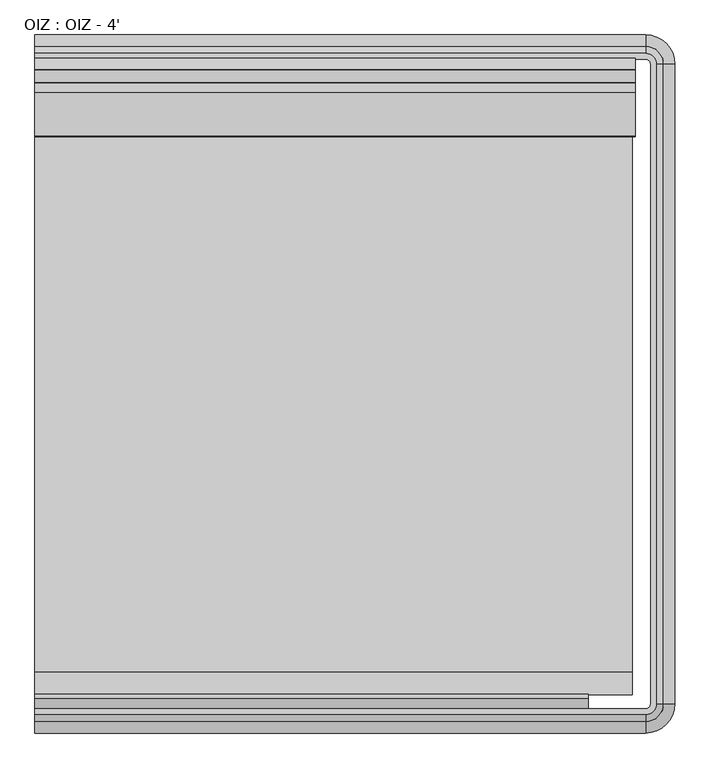
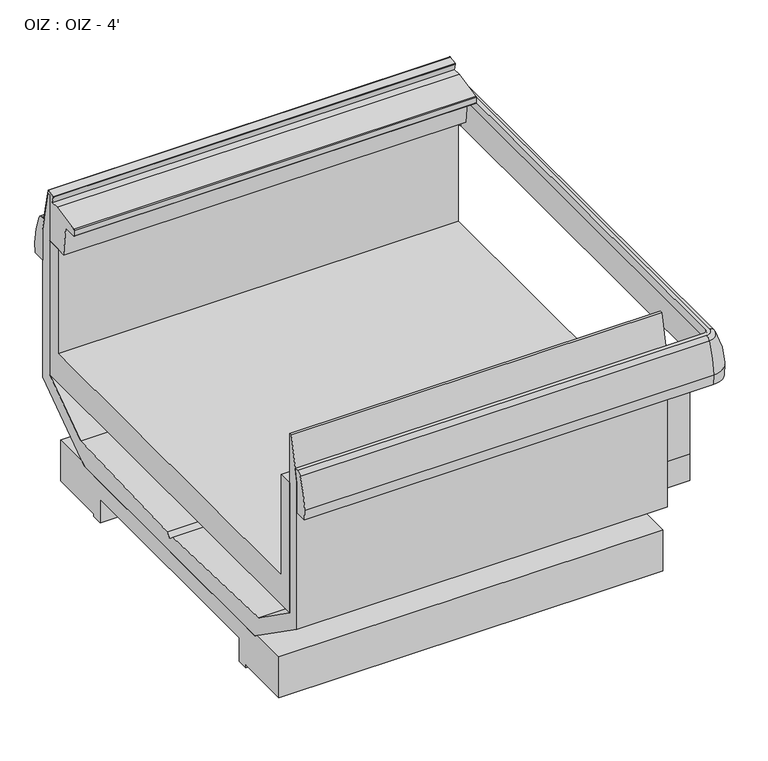
"""IFC4 building model written with IfcOpenShell, lengths in millimetres: proxy geometry, OIZ : OIZ - 4'."""

from ifc_helpers import new_model, si_unit, point, frame, frame_2d, origin, place, context, project, spatial, polyline, circle_curve, ellipse_curve, trimmed, segment, composite_curve, outline, extrude, faceted_brep, source, transform, mapped, element, save
from ifc_brep_helpers import plane_surface, cylinder_surface, revolved_surface, advanced_brep


def oiz_oiz_4_fd7c5255(model_context):
    return source(origin(), model_context, "Body", "SolidModel", [
        advanced_brep(
        [(0.0, -1779.9487888, 742.5260526), (0.0, -1756.7718705, 837.8904027), (0.0, -1742.3604846, 847.1075065), (0.0, -1730.6231369, 847.1075065), (0.0, -1738.8699813, 808.3091539), (0.0, -1738.8699813, 710.8577229), (0.0, -1778.626851, 710.8577229), (1239.8702702, -1779.9487888, 742.5260526), (1239.8702702, -1756.7718705, 837.8904027), (1239.8702702, -1742.3604846, 847.1075065), (1261.5908573, -1720.6398975, 847.1075065), (1261.5908573, -421.9302891, 847.1075065), (1239.9393382, -400.27877, 847.1075065), (0.0, -400.27877, 847.1075065), (0.0, -412.0161177, 847.1075065), (1239.9393382, -412.0161177, 847.1075065), (1249.8535096, -421.9302891, 847.1075065), (1249.8535096, -1720.6398975, 847.1075065), (1239.8702702, -1730.6231369, 847.1075065), (1239.8702702, -1738.8699813, 808.3091539), (1239.8702702, -1738.8699813, 710.8577229), (1258.100354, -1720.6398975, 710.8577229), (1258.100354, -421.9302891, 710.8577229), (1239.9393382, -403.7692733, 710.8577229), (0.0, -403.7692733, 710.8577229), (0.0, -364.0124036, 710.8577229), (1239.9393382, -364.0124036, 710.8577229), (1297.8572237, -421.9302891, 710.8577229), (1297.8572237, -1720.6398975, 710.8577229), (1239.8702702, -1778.626851, 710.8577229), (1276.0022432, -1720.6398975, 837.8904027), (1299.1791615, -1720.6398975, 742.5260526), (1299.1791615, -421.9302891, 742.5260526), (1276.0022432, -421.9302891, 837.8904027), (1258.100354, -1720.6398975, 808.3091539), (1258.100354, -421.9302891, 808.3091539), (0.0, -362.6904658, 742.5260526), (0.0, -403.7692733, 808.3091539), (0.0, -385.8673841, 837.8904027), (1239.9393382, -385.8673841, 837.8904027), (1239.9393382, -362.6904658, 742.5260526), (1239.9393382, -403.7692733, 808.3091539)],
        [
            (0, 1, circle_curve(frame((0.0, -1526.1354111, 731.338984), z_axis=(-1.0, 0.0, 0.0), x_axis=(0.0, 1.0, 0.0)), 254.0597985)),
            (1, 2, circle_curve(frame((0.0, -1742.3604846, 831.2325065), z_axis=(-1.0, 0.0, 0.0), x_axis=(0.0, 1.0, 0.0)), 15.875)),
            (2, 3),
            (3, 4),
            (4, 5),
            (5, 6),
            (6, 0),
            (0, 7),
            (7, 8, circle_curve(frame((1239.8702702, -1526.1354111, 731.338984), z_axis=(-1.0, 0.0, 0.0), x_axis=(0.0, 1.0, 0.0)), 254.0597985)),
            (8, 1),
            (8, 9, circle_curve(frame((1239.8702702, -1742.3604846, 831.2325065), z_axis=(-1.0, 0.0, 0.0), x_axis=(0.0, 1.0, 0.0)), 15.875)),
            (9, 2),
            (9, 10, circle_curve(frame((1239.8702702, -1720.6398975, 847.1075065), z_axis=(0.0, 0.0, 1.0), x_axis=(0.0, -1.0, 0.0)), 21.7205871)),
            (10, 11),
            (11, 12, circle_curve(frame((1239.9393382, -421.9302891, 847.1075065), z_axis=(0.0, 0.0, 1.0), x_axis=(1.0, 0.0, 0.0)), 21.6515191)),
            (12, 13),
            (13, 14),
            (14, 15),
            (15, 16, circle_curve(frame((1239.9393382, -421.9302891, 847.1075065), z_axis=(0.0, 0.0, -1.0), x_axis=(1.0, 0.0, 0.0)), 9.9141714)),
            (16, 17),
            (17, 18, circle_curve(frame((1239.8702702, -1720.6398975, 847.1075065), z_axis=(0.0, 0.0, -1.0), x_axis=(0.0, -1.0, 0.0)), 9.9832394)),
            (18, 3),
            (18, 19),
            (19, 4),
            (19, 20),
            (20, 5),
            (20, 21, circle_curve(frame((1239.8702702, -1720.6398975, 710.8577229), z_axis=(0.0, 0.0, 1.0), x_axis=(0.0, -1.0, 0.0)), 18.2300838)),
            (21, 22),
            (22, 23, circle_curve(frame((1239.9393382, -421.9302891, 710.8577229), z_axis=(0.0, 0.0, 1.0), x_axis=(1.0, 0.0, 0.0)), 18.1610158)),
            (23, 24),
            (24, 25),
            (25, 26),
            (26, 27, circle_curve(frame((1239.9393382, -421.9302891, 710.8577229), z_axis=(0.0, 0.0, -1.0), x_axis=(1.0, 0.0, 0.0)), 57.9178855)),
            (27, 28),
            (28, 29, circle_curve(frame((1239.8702702, -1720.6398975, 710.8577229), z_axis=(0.0, 0.0, -1.0), x_axis=(0.0, -1.0, 0.0)), 57.9869535)),
            (29, 6),
            (29, 7),
            (30, 31, circle_curve(frame((1045.3657838, -1720.6398975, 731.338984), z_axis=(0.0, 1.0, 0.0), x_axis=(-1.0, 0.0, 0.0)), 254.0597985)),
            (31, 32),
            (32, 33, circle_curve(frame((1045.3657838, -421.9302891, 731.338984), z_axis=(0.0, -1.0, 0.0), x_axis=(-1.0, 0.0, 0.0)), 254.0597985)),
            (33, 30),
            (10, 30, circle_curve(frame((1261.5908573, -1720.6398975, 831.2325065), z_axis=(0.0, 1.0, 0.0), x_axis=(-1.0, 0.0, 0.0)), 15.875)),
            (33, 11, circle_curve(frame((1261.5908573, -421.9302891, 831.2325065), z_axis=(0.0, -1.0, 0.0), x_axis=(-1.0, 0.0, 0.0)), 15.875)),
            (34, 17),
            (16, 35),
            (35, 34),
            (21, 34),
            (35, 22),
            (31, 28),
            (27, 32),
            (36, 25),
            (24, 37),
            (37, 14),
            (13, 38, circle_curve(frame((0.0, -400.27877, 831.2325065), z_axis=(-1.0, 0.0, 0.0), x_axis=(0.0, -1.0, 0.0)), 15.875)),
            (38, 36, circle_curve(frame((0.0, -616.5038435, 731.338984), z_axis=(-1.0, 0.0, 0.0), x_axis=(0.0, -1.0, 0.0)), 254.0597985)),
            (39, 40, circle_curve(frame((1239.9393382, -616.5038435, 731.338984), z_axis=(-1.0, 0.0, 0.0), x_axis=(0.0, -1.0, 0.0)), 254.0597985)),
            (40, 36),
            (38, 39),
            (12, 39, circle_curve(frame((1239.9393382, -400.27877, 831.2325065), z_axis=(-1.0, 0.0, 0.0), x_axis=(0.0, -1.0, 0.0)), 15.875)),
            (41, 15),
            (37, 41),
            (23, 41),
            (40, 26),
            (30, 8, circle_curve(frame((1239.8702702, -1720.6398975, 837.8904027), z_axis=(0.0, 0.0, -1.0), x_axis=(0.0, -1.0, 0.0)), 36.131973)),
            (7, 31, circle_curve(frame((1239.8702702, -1720.6398975, 742.5260526), z_axis=(0.0, 0.0, 1.0), x_axis=(0.0, -1.0, 0.0)), 59.3088914)),
            (34, 19, circle_curve(frame((1239.8702702, -1720.6398975, 808.3091539), z_axis=(0.0, 0.0, -1.0), x_axis=(0.0, -1.0, 0.0)), 18.2300838)),
            (39, 33, circle_curve(frame((1239.9393382, -421.9302891, 837.8904027), z_axis=(0.0, 0.0, -1.0), x_axis=(1.0, 0.0, 0.0)), 36.0629049)),
            (32, 40, circle_curve(frame((1239.9393382, -421.9302891, 742.5260526), z_axis=(0.0, 0.0, 1.0), x_axis=(1.0, 0.0, 0.0)), 59.2398233)),
            (41, 35, circle_curve(frame((1239.9393382, -421.9302891, 808.3091539), z_axis=(0.0, 0.0, -1.0), x_axis=(1.0, 0.0, 0.0)), 18.1610158)),
        ],
        [
            plane_surface(frame((0.0, -1793.6321273, 50.2442522), z_axis=(-1.0, 0.0, 0.0), x_axis=(0.0, 0.0, 1.0))),
            cylinder_surface(frame((0.0, -1526.1354111, 731.338984), z_axis=(-1.0, 0.0, 0.0), x_axis=(0.0, 1.0, 0.0)), 254.0597985),
            cylinder_surface(frame((0.0, -1742.3604846, 831.2325065), z_axis=(-1.0, 0.0, 0.0), x_axis=(0.0, 1.0, 0.0)), 15.875),
            plane_surface(frame((0.0, -1742.3604846, 847.1075065), z_axis=(0.0, 0.0, 1.0), x_axis=(1.0, 0.0, 0.0))),
            plane_surface(frame((0.0, -1730.6231369, 847.1075065), z_axis=(0.0, 0.9781476007337238, -0.20791169081814453), x_axis=(1.0, 0.0, 0.0))),
            plane_surface(frame((0.0, -1738.8699813, 808.3091539), z_axis=(0.0, 1.0, 0.0), x_axis=(1.0, 0.0, 0.0))),
            plane_surface(frame((0.0, -1762.8031313, 710.8577229), z_axis=(0.0, 0.0, -1.0), x_axis=(1.0, 0.0, 0.0))),
            plane_surface(frame((0.0, -1778.626851, 710.8577229), z_axis=(0.0, -0.9991298890583391, -0.04170689140023684), x_axis=(1.0, 0.0, 0.0))),
            cylinder_surface(frame((1045.3657838, -1720.6398975, 731.338984), z_axis=(0.0, -1.0, 0.0), x_axis=(-1.0, 0.0, 0.0)), 254.0597985),
            cylinder_surface(frame((1261.5908573, -1720.6398975, 831.2325065), z_axis=(0.0, -1.0, 0.0), x_axis=(-1.0, 0.0, 0.0)), 15.875),
            plane_surface(frame((1249.8535096, -1720.6398975, 847.1075065), z_axis=(-0.9781476007337238, 0.0, -0.20791169081814453), x_axis=(0.0, 1.0, 0.0))),
            plane_surface(frame((1258.100354, -1720.6398975, 808.3091539), z_axis=(-1.0, 0.0, 0.0), x_axis=(0.0, 1.0, 0.0))),
            plane_surface(frame((1297.8572237, -1720.6398975, 710.8577229), z_axis=(0.9991298890583391, 0.0, -0.04170689140023684), x_axis=(0.0, 1.0, 0.0))),
            plane_surface(frame((0.0, -349.0071273, 50.2442522), z_axis=(-1.0, 0.0, 0.0), x_axis=(0.0, 0.0, 1.0))),
            cylinder_surface(frame((1239.9393382, -616.5038435, 731.338984), z_axis=(1.0, 0.0, 0.0), x_axis=(0.0, -1.0, 0.0)), 254.0597985),
            cylinder_surface(frame((1239.9393382, -400.27877, 831.2325065), z_axis=(1.0, 0.0, 0.0), x_axis=(0.0, -1.0, 0.0)), 15.875),
            plane_surface(frame((1239.9393382, -412.0161177, 847.1075065), z_axis=(0.0, -0.9781476007337238, -0.20791169081814453), x_axis=(-1.0, 0.0, 0.0))),
            plane_surface(frame((1239.9393382, -403.7692733, 808.3091539), z_axis=(0.0, -1.0, 0.0), x_axis=(-1.0, 0.0, 0.0))),
            plane_surface(frame((1239.9393382, -364.0124036, 710.8577229), z_axis=(0.0, 0.9991298890583391, -0.04170689140023684), x_axis=(-1.0, 0.0, 0.0))),
            revolved_surface(trimmed(ellipse_curve(frame((1239.8702702, -1526.1354111, 731.338984), z_axis=(-1.0, 0.0, 0.0), x_axis=(0.0, 1.0, 0.0)), 254.0597985, 254.0597985), [point((1239.8702702, -1779.9487888, 742.5260526))], [point((1239.8702702, -1756.7718705, 837.8904027))], True, "CARTESIAN"), (1239.8702702, -1720.6398975, 50.2442522), (0.0, 0.0, 1.0)),
            revolved_surface(trimmed(ellipse_curve(frame((1239.8702702, -1742.3604846, 831.2325065), z_axis=(-1.0, 0.0, 0.0), x_axis=(0.0, 1.0, 0.0)), 15.875, 15.875), [point((1239.8702702, -1756.7718705, 837.8904027))], [point((1239.8702702, -1742.3604846, 847.1075065))], True, "CARTESIAN"), (1239.8702702, -1720.6398975, 50.2442522), (0.0, 0.0, 1.0)),
            revolved_surface(polyline([(1239.8702702, -1730.6231369, 847.1075065), (1239.8702702, -1738.8699813, 808.3091539)]), (1239.8702702, -1720.6398975, 50.2442522), (0.0, 0.0, 1.0)),
            revolved_surface(polyline([(1239.8702702, -1738.8699813, 808.3091539), (1239.8702702, -1738.8699813, 710.8577229)]), (1239.8702702, -1720.6398975, 50.2442522), (0.0, 0.0, 1.0)),
            revolved_surface(polyline([(1239.8702702, -1778.626851, 710.8577229), (1239.8702702, -1779.9487888, 742.5260526)]), (1239.8702702, -1720.6398975, 50.2442522), (0.0, 0.0, 1.0)),
            revolved_surface(trimmed(ellipse_curve(frame((1045.3657838, -421.9302891, 731.338984), z_axis=(0.0, -1.0, 0.0), x_axis=(-1.0, 0.0, 0.0)), 254.0597985, 254.0597985), [point((1299.1791615, -421.9302891, 742.5260526))], [point((1276.0022432, -421.9302891, 837.8904027))], True, "CARTESIAN"), (1239.9393382, -421.9302891, 50.2442522), (0.0, 0.0, 1.0)),
            revolved_surface(trimmed(ellipse_curve(frame((1261.5908573, -421.9302891, 831.2325065), z_axis=(0.0, -1.0, 0.0), x_axis=(-1.0, 0.0, 0.0)), 15.875, 15.875), [point((1276.0022432, -421.9302891, 837.8904027))], [point((1261.5908573, -421.9302891, 847.1075065))], True, "CARTESIAN"), (1239.9393382, -421.9302891, 50.2442522), (0.0, 0.0, 1.0)),
            revolved_surface(polyline([(1249.8535096, -421.9302891, 847.1075065), (1258.100354, -421.9302891, 808.3091539)]), (1239.9393382, -421.9302891, 50.2442522), (0.0, 0.0, 1.0)),
            revolved_surface(polyline([(1258.1003540000002, -421.9302891, 808.3091539), (1258.1003540000002, -421.9302891, 710.8577229)]), (1239.9393382, -421.9302891, 50.2442522), (0.0, 0.0, 1.0)),
            revolved_surface(polyline([(1297.8572237, -421.9302891, 710.8577229), (1299.1791615, -421.9302891, 742.5260526)]), (1239.9393382, -421.9302891, 50.2442522), (0.0, 0.0, 1.0)),
        ],
        [
            (0, [[1, 2, 3, 4, 5, 6, 7]]),
            (1, [[-1, 8, 9, 10]]),
            (2, [[-2, -10, 11, 12]]),
            (3, [[-3, -12, 13, 14, 15, 16, 17, 18, 19, 20, 21, 22]]),
            (4, [[-4, -22, 23, 24]]),
            (5, [[-5, -24, 25, 26]]),
            (6, [[-26, 27, 28, 29, 30, 31, 32, 33, 34, 35, 36, -6]]),
            (7, [[-7, -36, 37, -8]]),
            (8, [[38, 39, 40, 41]]),
            (9, [[42, -41, 43, -14]]),
            (10, [[44, -20, 45, 46]]),
            (11, [[47, -46, 48, -28]]),
            (12, [[49, -34, 50, -39]]),
            (13, [[51, -31, 52, 53, -17, 54, 55]]),
            (14, [[56, 57, -55, 58]]),
            (15, [[59, -58, -54, -16]]),
            (16, [[60, -18, -53, 61]]),
            (17, [[62, -61, -52, -30]]),
            (18, [[63, -32, -51, -57]]),
            (19, [[64, -9, 65, -38]]),
            (20, [[-13, -11, -64, -42]]),
            (21, [[66, -23, -21, -44]]),
            (22, [[-27, -25, -66, -47]]),
            (23, [[-65, -37, -35, -49]]),
            (24, [[67, -40, 68, -56]]),
            (25, [[-15, -43, -67, -59]]),
            (26, [[69, -45, -19, -60]]),
            (27, [[-29, -48, -69, -62]]),
            (28, [[-68, -50, -33, -63]]),
        ],
    ),
        extrude(outline(composite_curve([segment(trimmed(circle_curve(frame_2d((152.4, -1552.3321273)), 9.525), [point((142.875, -1552.3321273))], [point((161.925, -1552.3321273))], False, "CARTESIAN"), True, "CONTINUOUS"), segment(trimmed(circle_curve(frame_2d((152.4, -1552.3321273)), 9.525), [point((161.925, -1552.3321273))], [point((142.875, -1552.3321273))], False, "CARTESIAN"), True, "CONTINUOUS")], self_intersect=False)), frame((0.0, 0.0, 59.3851334), z_axis=(0.0, 0.0, 1.0), x_axis=(1.0, 0.0, 0.0)), (0.0, 0.0, 1.0), 6.35),
        extrude(outline(composite_curve([segment(trimmed(circle_curve(frame_2d((228.6, -1552.3321273)), 9.525), [point((219.075, -1552.3321273))], [point((238.125, -1552.3321273))], False, "CARTESIAN"), True, "CONTINUOUS"), segment(trimmed(circle_curve(frame_2d((228.6, -1552.3321273)), 9.525), [point((238.125, -1552.3321273))], [point((219.075, -1552.3321273))], False, "CARTESIAN"), True, "CONTINUOUS")], self_intersect=False)), frame((0.0, 0.0, 59.3851334), z_axis=(0.0, 0.0, 1.0), x_axis=(1.0, 0.0, 0.0)), (0.0, 0.0, 1.0), 6.35),
        extrude(outline(composite_curve([segment(trimmed(circle_curve(frame_2d((609.6, -1552.7093173)), 38.1), [point((571.5, -1552.7093173))], [point((647.7, -1552.7093173))], False, "CARTESIAN"), True, "CONTINUOUS"), segment(trimmed(circle_curve(frame_2d((609.6, -1552.7093173)), 38.1), [point((647.7, -1552.7093173))], [point((571.5, -1552.7093173))], False, "CARTESIAN"), True, "CONTINUOUS")], self_intersect=False)), frame((0.0, 0.0, 59.3851334), z_axis=(0.0, 0.0, 1.0), x_axis=(1.0, 0.0, 0.0)), (0.0, 0.0, 1.0), 117.8591189),
        extrude(outline(composite_curve([segment(trimmed(circle_curve(frame_2d((954.88125, -1399.9321273)), 11.1125), [point((943.76875, -1399.9321273))], [point((965.99375, -1399.9321273))], False, "CARTESIAN"), True, "CONTINUOUS"), segment(trimmed(circle_curve(frame_2d((954.88125, -1399.9321273)), 11.1125), [point((965.99375, -1399.9321273))], [point((943.76875, -1399.9321273))], False, "CARTESIAN"), True, "CONTINUOUS")], self_intersect=False)), frame((0.0, 0.0, 125.8872904), z_axis=(0.0, 0.0, 1.0), x_axis=(1.0, 0.0, 0.0)), (0.0, 0.0, 1.0), 51.3569618),
        extrude(outline(composite_curve([segment(trimmed(circle_curve(frame_2d((913.60625, -1399.9321273)), 9.525), [point((904.08125, -1399.9321273))], [point((923.13125, -1399.9321273))], False, "CARTESIAN"), True, "CONTINUOUS"), segment(trimmed(circle_curve(frame_2d((913.60625, -1399.9321273)), 9.525), [point((923.13125, -1399.9321273))], [point((904.08125, -1399.9321273))], False, "CARTESIAN"), True, "CONTINUOUS")], self_intersect=False)), frame((0.0, 0.0, 125.8872904), z_axis=(0.0, 0.0, 1.0), x_axis=(1.0, 0.0, 0.0)), (0.0, 0.0, 1.0), 51.3569618),
        advanced_brep(
        [(1164.0785775, -497.7910498, 59.3851334), (1164.0785775, -497.7910498, 190.7162695), (1164.0785775, -611.2237672, 190.7162695), (1164.0785775, -624.9324146, 181.1173712), (1164.0785775, -1517.6104004, 181.1173712), (1164.0785775, -1531.4154874, 190.7162695), (1164.0785775, -1644.8482048, 190.7162695), (1164.0785775, -1644.8482048, 59.3851334), (1164.0785775, -1471.3693098, 59.3851334), (1164.0785775, -1471.3693098, 50.2442522), (1164.0785775, -1436.4443098, 50.2442522), (1164.0785775, -1436.4443098, 125.8872904), (1164.0785775, -706.1949448, 125.8872904), (1164.0785775, -706.1949448, 50.2442522), (1164.0785775, -671.2699448, 50.2442522), (1164.0785775, -671.2699448, 59.3851334), (0.0, -497.7910498, 59.3851334), (0.0, -671.2699448, 59.3851334), (0.0, -671.2699448, 50.2442522), (0.0, -706.1949448, 50.2442522), (0.0, -706.1949448, 125.8872904), (0.0, -1436.4443098, 125.8872904), (0.0, -1436.4443098, 50.2442522), (0.0, -1471.3693098, 50.2442522), (0.0, -1471.3693098, 59.3851334), (0.0, -1644.8482048, 59.3851334), (0.0, -1644.8482048, 190.7162695), (0.0, -1531.4154874, 190.7162695), (0.0, -1517.6104004, 181.1173712), (0.0, -624.9324146, 181.1173712), (0.0, -611.2237672, 190.7162695), (0.0, -497.7910498, 190.7162695), (558.8, -1552.7093173, 59.3851334), (660.4, -1552.7093173, 59.3851334), (287.3791612, -1530.5482048, 59.3851334), (105.2648592, -1530.5482048, 59.3851334), (105.2648592, -1574.5393697, 59.3851334), (287.3791612, -1574.5393697, 59.3851334), (898.9237765, -1436.4443098, 50.2442522), (969.5637235, -1436.4443098, 50.2442522), (969.5637235, -1436.4443098, 125.8872904), (898.9237765, -1436.4443098, 125.8872904), (985.04375, -1399.9321273, 125.8872904), (883.44375, -1399.9321273, 125.8872904), (883.44375, -1399.9321273, 177.2442522), (985.04375, -1399.9321273, 177.2442522), (558.8, -1552.7093173, 177.2442522), (660.4, -1552.7093173, 177.2442522), (287.3791612, -1530.5482048, 65.7351334), (287.3791612, -1574.5393697, 65.7351334), (105.2648592, -1574.5393697, 65.7351334), (105.2648592, -1530.5482048, 65.7351334)],
        [
            (0, 1),
            (1, 2),
            (2, 3),
            (3, 4),
            (4, 5),
            (5, 6),
            (6, 7),
            (7, 8),
            (8, 9),
            (9, 10),
            (10, 11),
            (11, 12),
            (12, 13),
            (13, 14),
            (14, 15),
            (15, 0),
            (16, 17),
            (17, 18),
            (18, 19),
            (19, 20),
            (20, 21),
            (21, 22),
            (22, 23),
            (23, 24),
            (24, 25),
            (25, 26),
            (26, 27),
            (27, 28),
            (28, 29),
            (29, 30),
            (30, 31),
            (31, 16),
            (0, 16),
            (31, 1),
            (3, 29),
            (28, 4),
            (6, 26),
            (25, 7),
            (24, 8),
            (32, 33, circle_curve(frame((609.6, -1552.7093173, 59.3851334), z_axis=(0.0, 0.0, 1.0), x_axis=(1.0, 0.0, 0.0)), 50.8)),
            (33, 32, circle_curve(frame((609.6, -1552.7093173, 59.3851334), z_axis=(0.0, 0.0, 1.0), x_axis=(1.0, 0.0, 0.0)), 50.8)),
            (34, 35),
            (35, 36),
            (36, 37),
            (37, 34),
            (23, 9),
            (22, 38),
            (38, 39, circle_curve(frame((934.24375, -1399.9321273, 50.2442522), z_axis=(0.0, 0.0, 1.0), x_axis=(1.0, 0.0, 0.0)), 50.8)),
            (39, 10),
            (39, 40),
            (40, 11),
            (21, 41),
            (41, 38),
            (40, 42, circle_curve(frame((934.24375, -1399.9321273, 125.8872904), z_axis=(0.0, 0.0, 1.0), x_axis=(1.0, 0.0, 0.0)), 50.8)),
            (42, 43, circle_curve(frame((934.24375, -1399.9321273, 125.8872904), z_axis=(0.0, 0.0, 1.0), x_axis=(1.0, 0.0, 0.0)), 50.8)),
            (43, 41, circle_curve(frame((934.24375, -1399.9321273, 125.8872904), z_axis=(0.0, 0.0, 1.0), x_axis=(1.0, 0.0, 0.0)), 50.8)),
            (20, 12),
            (19, 13),
            (18, 14),
            (17, 15),
            (44, 45, circle_curve(frame((934.24375, -1399.9321273, 177.2442522), z_axis=(0.0, 0.0, -1.0), x_axis=(1.0, 0.0, 0.0)), 50.8)),
            (45, 44, circle_curve(frame((934.24375, -1399.9321273, 177.2442522), z_axis=(0.0, 0.0, -1.0), x_axis=(1.0, 0.0, 0.0)), 50.8)),
            (45, 42),
            (43, 44),
            (46, 47, circle_curve(frame((609.6, -1552.7093173, 177.2442522), z_axis=(0.0, 0.0, -1.0), x_axis=(1.0, 0.0, 0.0)), 50.8)),
            (47, 46, circle_curve(frame((609.6, -1552.7093173, 177.2442522), z_axis=(0.0, 0.0, -1.0), x_axis=(1.0, 0.0, 0.0)), 50.8)),
            (47, 33),
            (32, 46),
            (48, 49),
            (49, 50),
            (50, 51),
            (51, 48),
            (51, 35),
            (34, 48),
            (50, 36),
            (49, 37),
            (30, 2),
            (27, 5),
        ],
        [
            plane_surface(frame((1164.0785775, -497.7910498, 66.5320031), z_axis=(1.0, 0.0, 0.0), x_axis=(0.0, 0.0, 1.0))),
            plane_surface(frame((0.0, -497.7910498, 66.5320031), z_axis=(-1.0, 0.0, 0.0), x_axis=(0.0, 0.0, -1.0))),
            plane_surface(frame((1164.0785775, -497.7910498, 59.3851334), z_axis=(0.0, 1.0, 0.0), x_axis=(-1.0, 0.0, 0.0))),
            plane_surface(frame((1164.0785775, -624.9324146, 181.1173712), z_axis=(0.0, 0.0, 1.0), x_axis=(-1.0, 0.0, 0.0))),
            plane_surface(frame((1164.0785775, -1644.8482048, 190.7162695), z_axis=(0.0, -1.0, 0.0), x_axis=(-1.0, 0.0, 0.0))),
            plane_surface(frame((1164.0785775, -1644.8482048, 59.3851334), z_axis=(0.0, 0.0, -1.0), x_axis=(-1.0, 0.0, 0.0))),
            plane_surface(frame((1164.0785775, -1471.3693098, 59.3851334), z_axis=(0.0, -1.0, 0.0), x_axis=(-1.0, 0.0, 0.0))),
            plane_surface(frame((1164.0785775, -1471.3693098, 50.2442522), z_axis=(0.0, 0.0, -1.0), x_axis=(-1.0, 0.0, 0.0))),
            plane_surface(frame((1164.0785775, -1436.4443098, 50.2442522), z_axis=(0.0, 1.0, 0.0), x_axis=(-1.0, 0.0, 0.0))),
            plane_surface(frame((1164.0785775, -1436.4443098, 125.8872904), z_axis=(0.0, 0.0, -1.0), x_axis=(-1.0, 0.0, 0.0))),
            plane_surface(frame((1164.0785775, -706.1949448, 125.8872904), z_axis=(0.0, -1.0, 0.0), x_axis=(-1.0, 0.0, 0.0))),
            plane_surface(frame((1164.0785775, -706.1949448, 50.2442522), z_axis=(0.0, 0.0, -1.0), x_axis=(-1.0, 0.0, 0.0))),
            plane_surface(frame((1164.0785775, -671.2699448, 50.2442522), z_axis=(0.0, 1.0, 0.0), x_axis=(-1.0, 0.0, 0.0))),
            plane_surface(frame((1164.0785775, -671.2699448, 59.3851334), z_axis=(0.0, 0.0, -1.0), x_axis=(-1.0, 0.0, 0.0))),
            plane_surface(frame((985.04375, -1399.9321273, 177.2442522), z_axis=(0.0, 0.0, -1.0), x_axis=(0.0, 1.0, 0.0))),
            revolved_surface(polyline([(985.0437499999999, -1399.9321273, 177.2442522), (985.0437499999999, -1399.9321273, 50.2442522)]), (934.24375, -1399.9321273, 50.2442522), (0.0, 0.0, 1.0)),
            revolved_surface(polyline([(985.0437499999999, -1399.9321273, 177.2442522), (985.0437499999999, -1399.9321273, 125.88729040000001)]), (934.24375, -1399.9321273, 50.2442522), (0.0, 0.0, 1.0)),
            plane_surface(frame((660.4, -1552.7093173, 177.2442522), z_axis=(0.0, 0.0, -1.0), x_axis=(0.0, 1.0, 0.0))),
            revolved_surface(polyline([(660.4, -1552.7093173, 177.2442522), (660.4, -1552.7093173, 59.3851334)]), (609.6, -1552.7093173, 50.2442522), (0.0, 0.0, 1.0)),
            plane_surface(frame((88.9, -1530.5482048, 65.7351334), z_axis=(0.0, 0.0, -1.0), x_axis=(-1.0, 0.0, 0.0))),
            plane_surface(frame((287.3791612, -1530.5482048, 65.7351334), z_axis=(0.0, -1.0, 0.0), x_axis=(0.0, 0.0, -1.0))),
            plane_surface(frame((105.2648592, -1530.5482048, 65.7351334), z_axis=(1.0, 0.0, 0.0), x_axis=(0.0, 0.0, -1.0))),
            plane_surface(frame((105.2648592, -1574.5393697, 65.7351334), z_axis=(0.0, 1.0, 0.0), x_axis=(0.0, 0.0, -1.0))),
            plane_surface(frame((287.3791612, -1574.5393697, 65.7351334), z_axis=(-1.0, 0.0, 0.0), x_axis=(0.0, 0.0, -1.0))),
            plane_surface(frame((1164.0785775, -497.7910498, 190.7162695), z_axis=(0.0, 0.0, 1.0), x_axis=(-1.0, 0.0, 0.0))),
            plane_surface(frame((1164.0785775, -611.2237672, 190.7162695), z_axis=(0.0, -0.5735764363510149, 0.8191520442890138), x_axis=(-1.0, 0.0, 0.0))),
            plane_surface(frame((1164.0785775, -1517.6104004, 181.1173712), z_axis=(0.0, 0.5708784896060859, 0.8210345608469075), x_axis=(-1.0, 0.0, 0.0))),
            plane_surface(frame((1164.0785775, -1531.4154874, 190.7162695), z_axis=(0.0, 0.0, 1.0), x_axis=(-1.0, 0.0, 0.0))),
        ],
        [
            (0, [[1, 2, 3, 4, 5, 6, 7, 8, 9, 10, 11, 12, 13, 14, 15, 16]]),
            (1, [[17, 18, 19, 20, 21, 22, 23, 24, 25, 26, 27, 28, 29, 30, 31, 32]]),
            (2, [[-1, 33, -32, 34]]),
            (3, [[-4, 35, -29, 36]]),
            (4, [[-7, 37, -26, 38]]),
            (5, [[-8, -38, -25, 39], [40, 41], [42, 43, 44, 45]]),
            (6, [[-9, -39, -24, 46]]),
            (7, [[-10, -46, -23, 47, 48, 49]]),
            (8, [[-11, -49, 50, 51]]),
            (8, [[-22, 52, 53, -47]]),
            (9, [[-12, -51, 54, 55, 56, -52, -21, 57]]),
            (10, [[-13, -57, -20, 58]]),
            (11, [[-14, -58, -19, 59]]),
            (12, [[-15, -59, -18, 60]]),
            (13, [[-16, -60, -17, -33]]),
            (14, [[61, 62]]),
            (15, [[-62, 63, -54, -50, -48, -53, -56, 64]]),
            (16, [[-61, -64, -55, -63]]),
            (17, [[65, 66]]),
            (18, [[-66, 67, -40, 68]]),
            (18, [[-65, -68, -41, -67]]),
            (19, [[69, 70, 71, 72]]),
            (20, [[-72, 73, -42, 74]]),
            (21, [[-71, 75, -43, -73]]),
            (22, [[-70, 76, -44, -75]]),
            (23, [[-69, -74, -45, -76]]),
            (24, [[-2, -34, -31, 77]]),
            (25, [[-3, -77, -30, -35]]),
            (26, [[-5, -36, -28, 78]]),
            (27, [[-6, -78, -27, -37]]),
        ],
    ),
        faceted_brep([(1123.5781435, -432.1205344, 941.6913504), (1123.5781435, -440.8913733, 941.6913504), (1123.5781435, -440.8913733, 796.3629923), (1123.5781435, -440.8913733, 451.8224366), (1123.5781435, -440.8916273, 365.9680035), (1123.5781435, -603.8697245, 251.8495515), (1123.5781435, -1057.0321273, 235.1755745), (1123.5781435, -1071.3196273, 220.8880745), (1123.5781435, -1085.6893753, 235.2578226), (1123.5781435, -1538.7697841, 251.8495397), (1123.5781435, -1701.7478813, 365.9679917), (1123.5781435, -1701.7478813, 451.8224366), (1123.5781435, -1701.7478813, 782.3984294), (1123.5781435, -1701.7478813, 941.6913504), (1123.5781435, -1710.5187202, 941.6913504), (1123.5781435, -1730.6231369, 847.1075065), (1123.5781435, -1738.8699813, 808.3091539), (1123.5781435, -1738.8699813, 334.9627042), (1123.5781435, -1669.8693202, 286.9854386), (1123.5781435, -1517.6104004, 181.1173712), (1123.5781435, -625.0288542, 181.1173712), (1123.5781435, -403.7693256, 336.0449611), (1123.5781435, -403.7693256, 710.8577229), (1123.5781435, -403.7693256, 808.3091539), (1123.5781435, -412.0161177, 847.1075065), (0.0, -432.1205344, 941.6913504), (0.0, -412.0161177, 847.1075065), (0.0, -403.7693256, 808.3091539), (0.0, -403.7693256, 710.8577229), (0.0, -403.7693256, 336.0449611), (0.0, -625.0288542, 181.1173712), (0.0, -1517.6104004, 181.1173712), (0.0, -1669.8693202, 286.9854386), (0.0, -1738.8699813, 334.9627042), (0.0, -1738.8699813, 808.3091539), (0.0, -1730.6231369, 847.1075065), (0.0, -1710.5187202, 941.6913504), (0.0, -1701.7478813, 941.6913504), (0.0, -1701.7478813, 782.3984294), (0.0, -1701.7478813, 451.8224366), (0.0, -1701.7478813, 365.9679917), (0.0, -1538.7697841, 251.8495397), (0.0, -1085.6893753, 235.2578226), (0.0, -1071.3196273, 220.8880745), (0.0, -1057.0321273, 235.1755745), (0.0, -603.8697245, 251.8495515), (0.0, -440.8916273, 365.9680035), (0.0, -440.8916273, 451.8224366), (0.0, -440.8913733, 796.3629923), (0.0, -440.8913733, 941.6913504)], [[[0, 1, 2, 3, 4, 5, 6, 7, 8, 9, 10, 11, 12, 13, 14, 15, 16, 17, 18, 19, 20, 21, 22, 23, 24]], [[25, 26, 27, 28, 29, 30, 31, 32, 33, 34, 35, 36, 37, 38, 39, 40, 41, 42, 43, 44, 45, 46, 47, 48, 49]], [[1, 0, 25, 49]], [[2, 1, 49, 48]], [[3, 2, 48, 47]], [[4, 3, 47, 46]], [[5, 4, 46, 45]], [[6, 5, 45, 44]], [[7, 6, 44, 43]], [[8, 7, 43, 42]], [[9, 8, 42, 41]], [[10, 9, 41, 40]], [[11, 10, 40, 39]], [[12, 11, 39, 38]], [[13, 12, 38, 37]], [[14, 13, 37, 36]], [[15, 14, 36, 35]], [[16, 15, 35, 34]], [[17, 16, 34, 33]], [[18, 17, 33, 32]], [[19, 18, 32, 31]], [[20, 19, 31, 30]], [[21, 20, 30, 29]], [[22, 21, 29, 28]], [[23, 22, 28, 27]], [[24, 23, 27, 26]], [[0, 24, 26, 25]]]),
        faceted_brep([(1212.8743483, -1701.7478813, 365.9680035), (1212.8743483, -440.8916273, 365.9680035), (1212.8743483, -440.8916273, 451.8224366), (1212.8743483, -440.8913733, 796.3629923), (1212.8743483, -485.6461733, 796.3629923), (1212.8743483, -485.6461733, 460.6823872), (1212.8743483, -1656.9930813, 460.6823872), (1212.8743483, -1656.9930813, 782.3984294), (1212.8743483, -1701.7478813, 782.3984294), (1212.8743483, -1701.7478813, 451.8224366), (0.0, -1701.7478813, 365.9680035), (0.0, -1701.7478813, 451.8224366), (0.0, -1701.7478813, 782.3984294), (0.0, -1656.9930813, 782.3984294), (0.0, -1656.9930813, 460.6823872), (0.0, -485.6461733, 460.6823872), (0.0, -485.6461733, 796.3629923), (0.0, -440.8913733, 796.3629923), (0.0, -440.8913733, 451.8224366), (0.0, -440.8916273, 365.9680035)], [[[0, 1, 2, 3, 4, 5, 6, 7, 8, 9]], [[10, 11, 12, 13, 14, 15, 16, 17, 18, 19]], [[2, 1, 19, 18]], [[3, 2, 18, 17]], [[4, 3, 17, 16]], [[5, 4, 16, 15]], [[6, 5, 15, 14]], [[7, 6, 14, 13]], [[8, 7, 13, 12]], [[9, 8, 12, 11]], [[0, 9, 11, 10]], [[1, 0, 10, 19]]]),
        extrude(outline(composite_curve([segment(polyline([(-431.9839327, 952.3854544), (-409.6064141, 847.1075065), (-412.0161177, 847.1075065), (-432.1205344, 941.6913504), (-440.8913733, 941.6913504), (-440.8913733, 796.3629923), (-485.6461733, 796.3629923), (-513.3863704, 792.9569244), (-524.3561926, 885.8112569), (-565.6042257, 885.8112569)]), True, "CONTINUOUS"), segment(trimmed(circle_curve(frame_2d((-565.6042257, 888.3131569)), 2.5019), [point((-565.6042257, 885.8112569))], [point((-568.0998849, 888.1365545))], False, "CARTESIAN"), True, "CONTINUOUS"), segment(polyline([(-568.0998849, 888.1365545), (-569.08138, 906.3399769)]), True, "CONTINUOUS"), segment(trimmed(circle_curve(frame_2d((-566.5347754, 906.4772852)), 2.5503035), [point((-569.08138, 906.3399769))], [point((-567.0224617, 908.9805251))], False, "CARTESIAN"), True, "CONTINUOUS"), segment(polyline([(-567.0224617, 908.9805251), (-479.050437, 926.3067225), (-454.6168696, 926.2316048), (-460.0060323, 946.3442338)]), True, "CONTINUOUS"), segment(trimmed(circle_curve(frame_2d((-458.472625, 946.755109)), 1.5875), [point((-460.0060323, 946.3442338))], [point((-458.8026848, 948.3079183))], False, "CARTESIAN"), True, "CONTINUOUS"), segment(polyline([(-458.8026848, 948.3079183), (-433.8668019, 953.6082039)]), True, "CONTINUOUS"), segment(trimmed(circle_curve(frame_2d((-433.5367421, 952.0553946)), 1.5875), [point((-433.8668019, 953.6082039))], [point((-431.9839327, 952.3854544))], False, "CARTESIAN"), True, "CONTINUOUS")], self_intersect=False)), frame((0.0, 0.0, 0.0), z_axis=(1.0, 0.0, 0.0), x_axis=(0.0, 1.0, 0.0)), (0.0, 0.0, 1.0), 1219.2),
    ])


if __name__ == "__main__":
    model = new_model("IFC4")
    model_context = context("Model", 3, world=origin())
    ifc_project = project(units=[si_unit("LENGTHUNIT", "METRE", prefix="MILLI")], contexts=[model_context])
    site = spatial("IfcSite", under=ifc_project)
    building = spatial("IfcBuilding", under=site)
    placement = place(None, origin())
    oiz_oiz_4_shape = oiz_oiz_4_fd7c5255(model_context)
    element("IfcBuildingElementProxy", 1, Name="OIZ : OIZ - 4'", ObjectType="OIZ : OIZ - 4'", at=placement, inside=building, context=model_context, shape_type="MappedRepresentation", body=[
        mapped(oiz_oiz_4_shape, transform((0.0, 0.0, 0.0), x_axis=(1.0, 0.0, 0.0), y_axis=(0.0, 1.0, 0.0), z_axis=(0.0, 0.0, 1.0))),
    ])
    save(model, "model.ifc")
